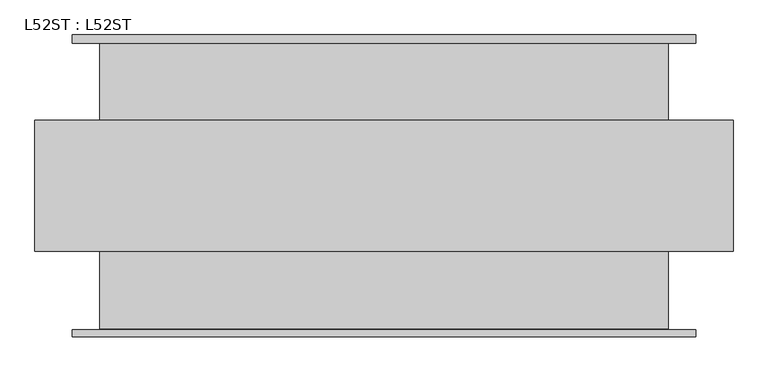
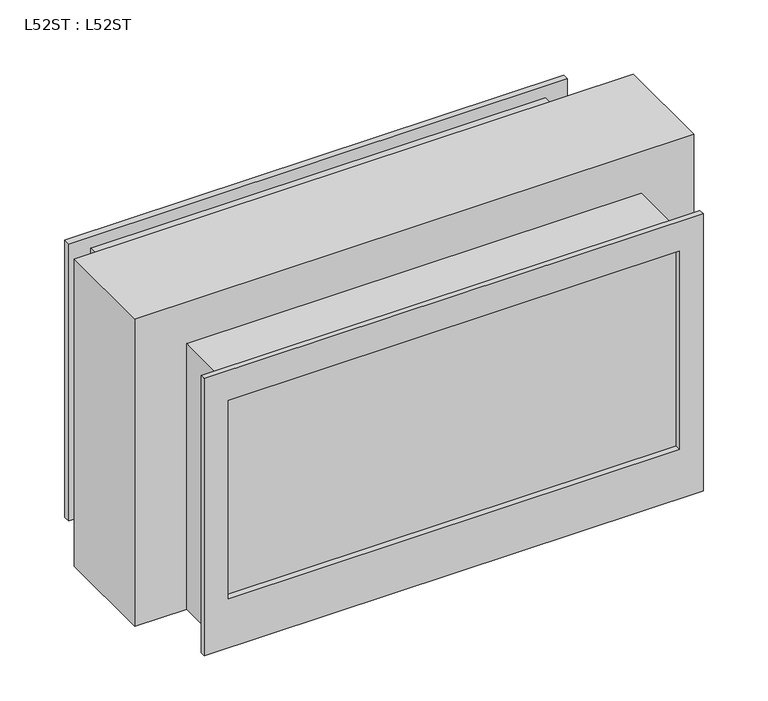
"""IFC4 building model written with IfcOpenShell, lengths in millimetres: proxy geometry, L52ST : L52ST."""

from ifc_helpers import new_model, si_unit, origin, place, context, project, spatial, faceted_brep, source, transform, mapped, element, save


def l52st_l52st_ea5b846e(model_context):
    return source(origin(), model_context, "Body", "Brep", [
        faceted_brep([(659.6379876, -304.8, 775.4810601), (-659.6379876, -304.8, 775.4810601), (-659.6379876, -319.4036293, 775.4810601), (659.6379876, -319.4036293, 775.4810601), (659.6379876, -304.8, 0.0), (659.6379876, -319.4036293, 0.0), (-659.6379876, -319.4036293, 0.0), (-659.6379876, -304.8, 0.0), (596.9, -304.8, 692.15), (-596.9, -304.8, 692.15), (-596.9, -304.8, 138.1125), (596.9, -304.8, 138.1125), (-596.9, -319.4036293, 692.15), (596.9, -319.4036293, 692.15), (596.9, -319.4036293, 138.1125), (-596.9, -319.4036293, 138.1125)], [[[0, 1, 2, 3]], [[4, 5, 6, 7]], [[1, 0, 4, 7], [8, 9, 10, 11]], [[2, 1, 7, 6]], [[3, 2, 6, 5], [12, 13, 14, 15]], [[0, 3, 5, 4]], [[8, 13, 12, 9]], [[9, 12, 15, 10]], [[10, 15, 14, 11]], [[13, 8, 11, 14]]]),
        faceted_brep([(-601.2688279, 301.9894212, 742.95), (-601.2688279, 138.5443062, 742.95), (601.2688279, 138.5443062, 742.95), (601.2688279, 301.9894212, 742.95), (-601.2688279, -302.784577, 742.95), (601.2688279, -302.784577, 742.95), (601.2688279, -138.0870938, 742.95), (-601.2688279, -138.0870938, 742.95), (601.2688279, -302.784577, 0.0), (-601.2688279, -302.784577, 0.0), (-601.2688279, -138.0870938, 0.0), (-738.9113903, -138.0870938, 0.0), (-738.9113903, 138.5443062, 0.0), (-601.2688279, 138.5443062, 0.0), (-601.2688279, 301.9894212, 0.0), (-659.6379876, 301.9894212, 0.0), (-659.6379876, 319.4036293, 0.0), (659.6379876, 319.4036293, 0.0), (659.6379876, 301.9894212, 0.0), (601.2688279, 301.9894212, 0.0), (601.2688279, 138.5443062, 0.0), (738.9113903, 138.5443062, 0.0), (738.9113903, -138.0870938, 0.0), (601.2688279, -138.0870938, 0.0), (738.9113903, 138.5443062, 860.425), (-738.9113903, 138.5443062, 860.425), (-738.9113903, -138.0870938, 860.425), (738.9113903, -138.0870938, 860.425), (659.6379876, 301.9894212, 775.4810601), (659.6379876, 319.4036293, 775.4810601), (-659.6379876, 319.4036293, 775.4810601), (-659.6379876, 301.9894212, 775.4810601), (596.9, 319.4036293, 692.15), (-596.9, 319.4036293, 692.15), (-596.9, 319.4036293, 138.1125), (596.9, 319.4036293, 138.1125), (596.9, 302.784577, 692.15), (596.9, 302.784577, 138.1125), (-596.9, 302.784577, 138.1125), (-596.9, 302.784577, 692.15)], [[[0, 1, 2, 3]], [[4, 5, 6, 7]], [[8, 9, 10, 11, 12, 13, 14, 15, 16, 17, 18, 19, 20, 21, 22, 23]], [[1, 0, 14, 13]], [[9, 4, 7, 10]], [[3, 2, 20, 19]], [[5, 8, 23, 6]], [[24, 25, 26, 27]], [[25, 24, 21, 20, 2, 1, 13, 12]], [[26, 25, 12, 11]], [[27, 26, 11, 10, 7, 6, 23, 22]], [[24, 27, 22, 21]], [[28, 29, 30, 31]], [[28, 31, 15, 14, 0, 3, 19, 18]], [[31, 30, 16, 15]], [[30, 29, 17, 16], [32, 33, 34, 35]], [[29, 28, 18, 17]], [[5, 4, 9, 8]], [[36, 37, 38, 39]], [[36, 39, 33, 32]], [[39, 38, 34, 33]], [[38, 37, 35, 34]], [[37, 36, 32, 35]]]),
    ])


if __name__ == "__main__":
    model = new_model("IFC4")
    model_context = context("Model", 3, world=origin())
    ifc_project = project(units=[si_unit("LENGTHUNIT", "METRE", prefix="MILLI")], contexts=[model_context])
    site = spatial("IfcSite", under=ifc_project)
    building = spatial("IfcBuilding", under=site)
    placement = place(None, origin())
    l52st_l52st_shape = l52st_l52st_ea5b846e(model_context)
    element("IfcBuildingElementProxy", 1, Name="L52ST : L52ST", ObjectType="L52ST : L52ST", at=placement, inside=building, context=model_context, shape_type="MappedRepresentation", body=[
        mapped(l52st_l52st_shape, transform((0.0, 0.0, 0.0), x_axis=(1.0, 0.0, 0.0), y_axis=(0.0, 1.0, 0.0), z_axis=(0.0, 0.0, 1.0))),
    ])
    save(model, "model.ifc")
